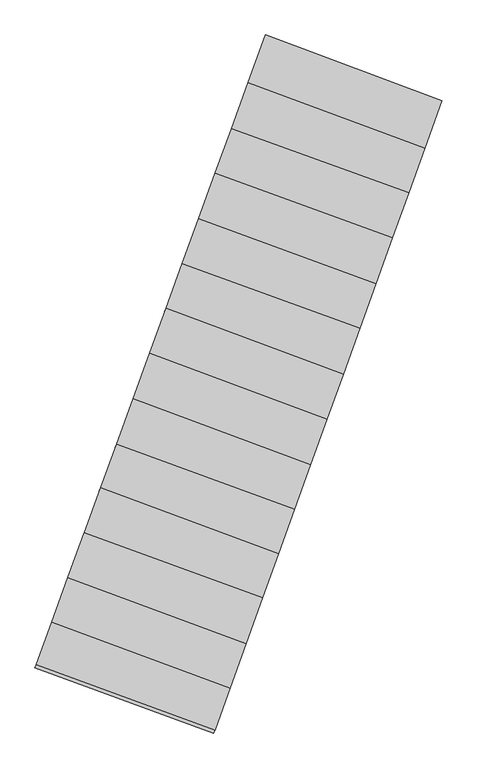
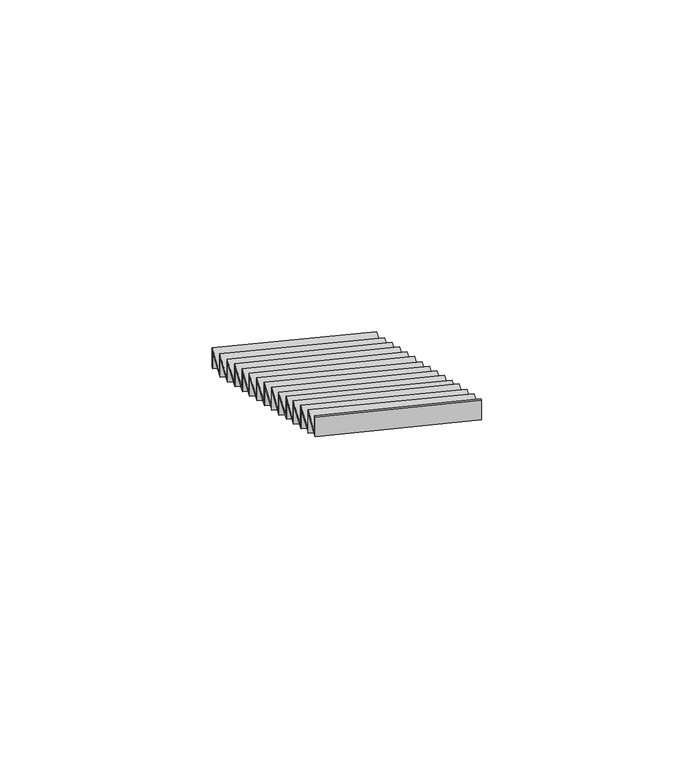
"""IFC4 building model written with IfcOpenShell, lengths in millimetres: stair flight geometry."""

from ifc_helpers import new_model, si_unit, frame, origin, place, context, project, spatial, polyline, outline, extrude, source, transform, mapped, element, save


def stair_flight_cfc46652(model_context):
    return source(origin(), model_context, "Body", "SweptSolid", [
        extrude(outline(polyline([(111450.9038591, 40358.3359163), (111457.7570368, 40377.125466), (112562.4676585, 39966.9891273), (112555.6720859, 39948.1781911), (111450.9038591, 40358.3359163)])), frame((0.0, 0.0, -2416.5), z_axis=(0.0, 0.0, 1.0), x_axis=(1.0, 0.0, 0.0)), (0.0, 0.0, 1.0), 146.1864079),
        extrude(outline(polyline([(112454.6058405, 39668.4150536), (111348.9808881, 40078.890848), (111457.7570368, 40377.125466), (112562.4676585, 39966.9891273), (112454.6058405, 39668.4150536)])), frame((0.0, 0.0, -2270.3135921), z_axis=(0.0, 0.0, 1.0), x_axis=(1.0, 0.0, 0.0)), (0.0, 0.0, 1.0), 20.0),
        extrude(outline(polyline([(111342.1277103, 40060.1012983), (111348.9808881, 40078.890848), (112454.6058405, 39668.4150536), (112447.8102679, 39649.6041174), (111342.1277103, 40060.1012983)])), frame((0.0, 0.0, -2270.3135921), z_axis=(0.0, 0.0, 1.0), x_axis=(1.0, 0.0, 0.0)), (0.0, 0.0, 1.0), 166.1864079),
        extrude(outline(polyline([(112354.0337335, 39390.019749), (111244.0513473, 39791.202583), (111348.9808881, 40078.890848), (112454.6058405, 39668.4150536), (112354.0337335, 39390.019749)])), frame((0.0, 0.0, -2104.1271841), z_axis=(0.0, 0.0, 1.0), x_axis=(1.0, 0.0, 0.0)), (0.0, 0.0, 1.0), 20.0),
        extrude(outline(polyline([(111237.1982537, 39772.4132639), (111244.0513473, 39791.202583), (112354.0337335, 39390.019749), (112347.2384253, 39371.2095444), (111237.1982537, 39772.4132639)])), frame((0.0, 0.0, -2104.1271841), z_axis=(0.0, 0.0, 1.0), x_axis=(1.0, 0.0, 0.0)), (0.0, 0.0, 1.0), 166.1864079),
        extrude(outline(polyline([(112252.6799732, 39109.4607368), (111141.8357027, 39510.9550831), (111244.0513473, 39791.202583), (112354.0337335, 39390.019749), (112252.6799732, 39109.4607368)])), frame((0.0, 0.0, -1937.9407762), z_axis=(0.0, 0.0, 1.0), x_axis=(1.0, 0.0, 0.0)), (0.0, 0.0, 1.0), 20.0),
        extrude(outline(polyline([(111134.982609, 39492.165764), (111141.8357027, 39510.9550831), (112252.6799732, 39109.4607368), (112245.884665, 39090.6505323), (111134.982609, 39492.165764)])), frame((0.0, 0.0, -1937.9407762), z_axis=(0.0, 0.0, 1.0), x_axis=(1.0, 0.0, 0.0)), (0.0, 0.0, 1.0), 166.1864079),
        extrude(outline(polyline([(112148.7794833, 38821.8520807), (111038.2332936, 39226.9054522), (111141.8357027, 39510.9550831), (112252.6799732, 39109.4607368), (112148.7794833, 38821.8520807)])), frame((0.0, 0.0, -1771.7543683), z_axis=(0.0, 0.0, 1.0), x_axis=(1.0, 0.0, 0.0)), (0.0, 0.0, 1.0), 20.0),
        extrude(outline(polyline([(111031.3802291, 39208.1162131), (111038.2332936, 39226.9054522), (112148.7794833, 38821.8520807), (112141.9841431, 38803.0417876), (111031.3802291, 39208.1162131)])), frame((0.0, 0.0, -1771.7543683), z_axis=(0.0, 0.0, 1.0), x_axis=(1.0, 0.0, 0.0)), (0.0, 0.0, 1.0), 166.1864079),
        extrude(outline(polyline([(112047.5238019, 38541.5645623), (110936.1174771, 38946.9316539), (111038.2332936, 39226.9054522), (112148.7794833, 38821.8520807), (112047.5238019, 38541.5645623)])), frame((0.0, 0.0, -1605.5679604), z_axis=(0.0, 0.0, 1.0), x_axis=(1.0, 0.0, 0.0)), (0.0, 0.0, 1.0), 20.0),
        extrude(outline(polyline([(110929.2644126, 38928.1424147), (110936.1174771, 38946.9316539), (112047.5238019, 38541.5645623), (112040.7284617, 38522.7542692), (110929.2644126, 38928.1424147)])), frame((0.0, 0.0, -1605.5679604), z_axis=(0.0, 0.0, 1.0), x_axis=(1.0, 0.0, 0.0)), (0.0, 0.0, 1.0), 166.1864079),
        extrude(outline(polyline([(111944.015454, 38255.0414007), (110834.0622924, 38667.1240917), (110936.1174771, 38946.9316539), (112047.5238019, 38541.5645623), (111944.015454, 38255.0414007)])), frame((0.0, 0.0, -1439.3815524), z_axis=(0.0, 0.0, 1.0), x_axis=(1.0, 0.0, 0.0)), (0.0, 0.0, 1.0), 20.0),
        extrude(outline(polyline([(110827.2091147, 38648.3345421), (110834.0622924, 38667.1240917), (111944.015454, 38255.0414007), (111937.2198814, 38236.2304645), (110827.2091147, 38648.3345421)])), frame((0.0, 0.0, -1439.3815524), z_axis=(0.0, 0.0, 1.0), x_axis=(1.0, 0.0, 0.0)), (0.0, 0.0, 1.0), 166.1864079),
        extrude(outline(polyline([(111842.0818656, 37972.877357), (110731.2646261, 38385.2808468), (110834.0622924, 38667.1240917), (111944.015454, 38255.0414007), (111842.0818656, 37972.877357)])), frame((0.0, 0.0, -1273.1951445), z_axis=(0.0, 0.0, 1.0), x_axis=(1.0, 0.0, 0.0)), (0.0, 0.0, 1.0), 20.0),
        extrude(outline(polyline([(110724.4114484, 38366.4912971), (110731.2646261, 38385.2808468), (111842.0818656, 37972.877357), (111835.2862931, 37954.0664208), (110724.4114484, 38366.4912971)])), frame((0.0, 0.0, -1273.1951445), z_axis=(0.0, 0.0, 1.0), x_axis=(1.0, 0.0, 0.0)), (0.0, 0.0, 1.0), 166.1864079),
        extrude(outline(polyline([(111740.1482773, 37690.7133133), (110628.4669598, 38103.4376018), (110731.2646261, 38385.2808468), (111842.0818656, 37972.877357), (111740.1482773, 37690.7133133)])), frame((0.0, 0.0, -1107.0087366), z_axis=(0.0, 0.0, 1.0), x_axis=(1.0, 0.0, 0.0)), (0.0, 0.0, 1.0), 20.0),
        extrude(outline(polyline([(110621.6137821, 38084.6480521), (110628.4669598, 38103.4376018), (111740.1482773, 37690.7133133), (111733.3527047, 37671.9023771), (110621.6137821, 38084.6480521)])), frame((0.0, 0.0, -1107.0087366), z_axis=(0.0, 0.0, 1.0), x_axis=(1.0, 0.0, 0.0)), (0.0, 0.0, 1.0), 166.1864079),
        extrude(outline(polyline([(111639.3826855, 37411.7824202), (110524.5093306, 37818.4140538), (110628.4669598, 38103.4376018), (111740.1482773, 37690.7133133), (111639.3826855, 37411.7824202)])), frame((0.0, 0.0, -940.8223286), z_axis=(0.0, 0.0, 1.0), x_axis=(1.0, 0.0, 0.0)), (0.0, 0.0, 1.0), 20.0),
        extrude(outline(polyline([(110517.6562661, 37799.6248146), (110524.5093306, 37818.4140538), (111639.3826855, 37411.7824202), (111632.5873453, 37392.9721271), (110517.6562661, 37799.6248146)])), frame((0.0, 0.0, -940.8223286), z_axis=(0.0, 0.0, 1.0), x_axis=(1.0, 0.0, 0.0)), (0.0, 0.0, 1.0), 166.1864079),
        extrude(outline(polyline([(111537.9989123, 37131.140329), (110424.6040007, 37544.5008088), (110524.5093306, 37818.4140538), (111639.3826855, 37411.7824202), (111537.9989123, 37131.140329)])), frame((0.0, 0.0, -774.6359207), z_axis=(0.0, 0.0, 1.0), x_axis=(1.0, 0.0, 0.0)), (0.0, 0.0, 1.0), 20.0),
        extrude(outline(polyline([(110417.750823, 37525.7112591), (110424.6040007, 37544.5008088), (111537.9989123, 37131.140329), (111531.2033398, 37112.3293928), (110417.750823, 37525.7112591)])), frame((0.0, 0.0, -774.6359207), z_axis=(0.0, 0.0, 1.0), x_axis=(1.0, 0.0, 0.0)), (0.0, 0.0, 1.0), 166.1864079),
        extrude(outline(polyline([(111439.4960316, 36858.4728835), (110321.6735468, 37262.2934962), (110424.6040007, 37544.5008088), (111537.9989123, 37131.140329), (111439.4960316, 36858.4728835)])), frame((0.0, 0.0, -608.4495128), z_axis=(0.0, 0.0, 1.0), x_axis=(1.0, 0.0, 0.0)), (0.0, 0.0, 1.0), 20.0),
        extrude(outline(polyline([(110314.82045, 37243.5041684), (110321.6735468, 37262.2934962), (111439.4960316, 36858.4728835), (111432.7007234, 36839.6626791), (110314.82045, 37243.5041684)])), frame((0.0, 0.0, -608.4495128), z_axis=(0.0, 0.0, 1.0), x_axis=(1.0, 0.0, 0.0)), (0.0, 0.0, 1.0), 166.1864079),
        extrude(outline(polyline([(111334.7111057, 36568.4160055), (110219.5929495, 36982.4162594), (110321.6735468, 37262.2934962), (111439.4960316, 36858.4728835), (111334.7111057, 36568.4160055)])), frame((0.0, 0.0, -442.2631049), z_axis=(0.0, 0.0, 1.0), x_axis=(1.0, 0.0, 0.0)), (0.0, 0.0, 1.0), 20.0),
        extrude(outline(polyline([(110212.7397717, 36963.6267097), (110219.5929495, 36982.4162594), (111334.7111057, 36568.4160055), (111327.9155331, 36549.6050693), (110212.7397717, 36963.6267097)])), frame((0.0, 0.0, -442.2631049), z_axis=(0.0, 0.0, 1.0), x_axis=(1.0, 0.0, 0.0)), (0.0, 0.0, 1.0), 166.1864079),
        extrude(outline(polyline([(111234.4613849, 36290.9131033), (110118.4934247, 36705.2288565), (110219.5929495, 36982.4162594), (111334.7111057, 36568.4160055), (111234.4613849, 36290.9131033)])), frame((0.0, 0.0, -276.0766969), z_axis=(0.0, 0.0, 1.0), x_axis=(1.0, 0.0, 0.0)), (0.0, 0.0, 1.0), 20.0),
        extrude(outline(polyline([(110111.6402469, 36686.4393068), (110118.4934247, 36705.2288565), (111234.4613849, 36290.9131033), (111227.6658123, 36272.102167), (110111.6402469, 36686.4393068)])), frame((0.0, 0.0, -276.0766969), z_axis=(0.0, 0.0, 1.0), x_axis=(1.0, 0.0, 0.0)), (0.0, 0.0, 1.0), 166.1864079),
        extrude(outline(polyline([(110014.0136987, 36418.7738614), (110020.8667648, 36437.5631048), (111140.2550791, 36030.1390778), (111133.4597514, 36011.3288193), (110014.0136987, 36418.7738614)])), frame((0.0, 0.0, -109.890289), z_axis=(0.0, 0.0, 1.0), x_axis=(1.0, 0.0, 0.0)), (0.0, 0.0, 1.0), 166.1864079),
        extrude(outline(polyline([(111140.2550791, 36030.1390778), (110020.8667648, 36437.5631048), (110118.4934247, 36705.2288565), (111234.4613849, 36290.9131033), (111140.2550791, 36030.1390778)])), frame((0.0, 0.0, -109.890289), z_axis=(0.0, 0.0, 1.0), x_axis=(1.0, 0.0, 0.0)), (0.0, 0.0, 1.0), 20.0),
    ])


if __name__ == "__main__":
    model = new_model("IFC4")
    model_context = context("Model", 3, world=origin())
    ifc_project = project(units=[si_unit("LENGTHUNIT", "METRE", prefix="MILLI")], contexts=[model_context])
    site = spatial("IfcSite", under=ifc_project)
    building = spatial("IfcBuilding", under=site)
    placement = place(None, origin())
    stair_flight_shape = stair_flight_cfc46652(model_context)
    element("IfcStairFlight", 1, at=placement, inside=building, context=model_context, shape_type="MappedRepresentation", body=[
        mapped(stair_flight_shape, transform((0.0, 0.0, 0.0), x_axis=(1.0, 0.0, 0.0), y_axis=(0.0, 1.0, 0.0), z_axis=(0.0, 0.0, 1.0))),
    ])
    save(model, "model.ifc")
